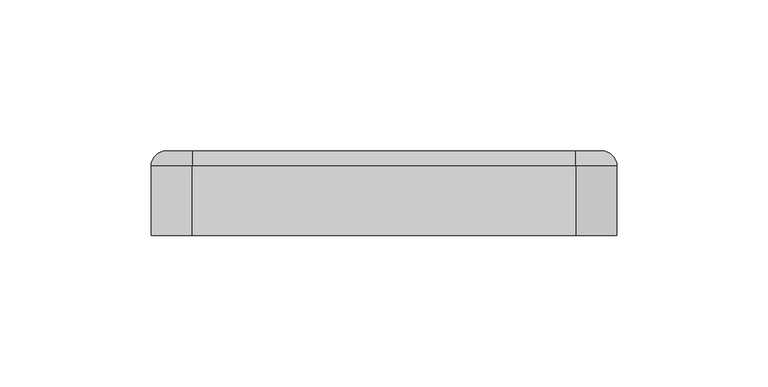
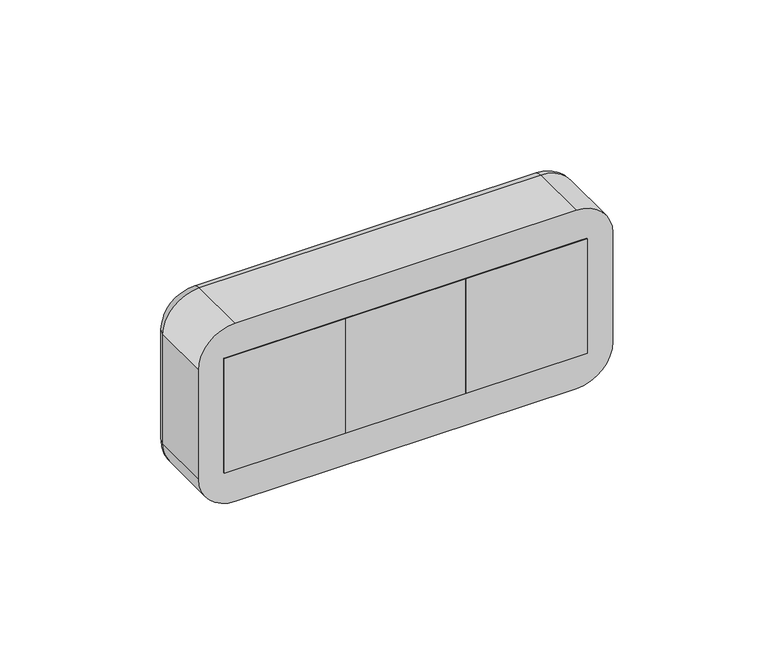
"""IFC4 building model written with IfcOpenShell, lengths in millimetres: proxy geometry."""

from ifc_helpers import new_model, si_unit, point, frame, origin, place, context, project, spatial, polyline, circle_curve, ellipse_curve, trimmed, outline, extrude, source, transform, mapped, element, save
from ifc_brep_helpers import plane_surface, cylinder_surface, revolved_surface, advanced_brep


def electrical_fixtures_9566df13(model_context):
    return source(origin(), model_context, "Body", "SolidModel", [
        advanced_brep(
        [(67.5, 28.0, 22.5), (67.5, 28.0, -22.5), (22.5, 28.0, -22.5), (22.5, 28.0, 22.5), (27.0, 28.0, 0.0), (63.0, 28.0, 0.0), (67.5, 20.0, 22.5), (22.5, 20.0, 22.5), (22.5, 20.0, -22.5), (67.5, 20.0, -22.5), (38.0, 20.0, 0.0), (33.0, 20.0, 0.0), (57.0, 20.0, 0.0), (52.0, 20.0, 0.0), (27.0, 21.0, 0.0), (63.0, 21.0, 0.0), (33.0, 21.0, 0.0), (38.0, 21.0, 0.0), (52.0, 21.0, 0.0), (57.0, 21.0, 0.0)],
        [
            (0, 1),
            (1, 2),
            (2, 3),
            (3, 0),
            (4, 5, circle_curve(frame((45.0, 28.0, 0.0), z_axis=(0.0, -1.0, 0.0), x_axis=(1.0, 0.0, 0.0)), 18.0)),
            (5, 4, circle_curve(frame((45.0, 28.0, 0.0), z_axis=(0.0, -1.0, 0.0), x_axis=(1.0, 0.0, 0.0)), 18.0)),
            (6, 7),
            (7, 8),
            (8, 9),
            (9, 6),
            (10, 11, circle_curve(frame((35.5, 20.0, 0.0), z_axis=(0.0, 1.0, 0.0), x_axis=(1.0, 0.0, 0.0)), 2.5)),
            (11, 10, circle_curve(frame((35.5, 20.0, 0.0), z_axis=(0.0, 1.0, 0.0), x_axis=(1.0, 0.0, 0.0)), 2.5)),
            (12, 13, circle_curve(frame((54.5, 20.0, 0.0), z_axis=(0.0, 1.0, 0.0), x_axis=(1.0, 0.0, 0.0)), 2.5)),
            (13, 12, circle_curve(frame((54.5, 20.0, 0.0), z_axis=(0.0, 1.0, 0.0), x_axis=(1.0, 0.0, 0.0)), 2.5)),
            (3, 7),
            (6, 0),
            (2, 8),
            (1, 9),
            (14, 15, circle_curve(frame((45.0, 21.0, 0.0), z_axis=(0.0, 1.0, 0.0), x_axis=(1.0, 0.0, 0.0)), 18.0)),
            (15, 14, circle_curve(frame((45.0, 21.0, 0.0), z_axis=(0.0, 1.0, 0.0), x_axis=(1.0, 0.0, 0.0)), 18.0)),
            (16, 17, circle_curve(frame((35.5, 21.0, 0.0), z_axis=(0.0, -1.0, 0.0), x_axis=(1.0, 0.0, 0.0)), 2.5)),
            (17, 16, circle_curve(frame((35.5, 21.0, 0.0), z_axis=(0.0, -1.0, 0.0), x_axis=(1.0, 0.0, 0.0)), 2.5)),
            (18, 19, circle_curve(frame((54.5, 21.0, 0.0), z_axis=(0.0, -1.0, 0.0), x_axis=(1.0, 0.0, 0.0)), 2.5)),
            (19, 18, circle_curve(frame((54.5, 21.0, 0.0), z_axis=(0.0, -1.0, 0.0), x_axis=(1.0, 0.0, 0.0)), 2.5)),
            (15, 5),
            (4, 14),
            (10, 17),
            (16, 11),
            (12, 19),
            (18, 13),
        ],
        [
            plane_surface(frame((6.0, 28.0, 22.5), z_axis=(0.0, 1.0, 0.0), x_axis=(1.0, 0.0, 0.0))),
            plane_surface(frame((6.0, 20.0, 22.5), z_axis=(0.0, -1.0, 0.0), x_axis=(-1.0, 0.0, 0.0))),
            plane_surface(frame((67.5, 20.0, 22.5), z_axis=(0.0, 0.0, 1.0), x_axis=(0.0, 1.0, 0.0))),
            plane_surface(frame((22.5, 20.0, 22.5), z_axis=(-1.0, 0.0, 0.0), x_axis=(0.0, 1.0, 0.0))),
            plane_surface(frame((22.5, 20.0, -22.5), z_axis=(0.0, 0.0, -1.0), x_axis=(0.0, 1.0, 0.0))),
            plane_surface(frame((67.5, 20.0, -22.5), z_axis=(1.0, 0.0, 0.0), x_axis=(0.0, 1.0, 0.0))),
            plane_surface(frame((63.0, 21.0, 0.0), z_axis=(0.0, 1.0, 0.0), x_axis=(0.0, 0.0, 1.0))),
            revolved_surface(polyline([(63.0, 21.0, 0.0), (63.0, 28.0, 0.0)]), (45.0, 28.0, 0.0), (0.0, -1.0, 0.0)),
            revolved_surface(polyline([(38.0, 20.0, 0.0), (38.0, 21.0, 0.0)]), (35.5, 21.0, 0.0), (0.0, -1.0, 0.0)),
            revolved_surface(polyline([(57.0, 20.0, 0.0), (57.0, 21.0, 0.0)]), (54.5, 20.0, 0.0), (0.0, -1.0, 0.0)),
        ],
        [
            (0, [[1, 2, 3, 4], [5, 6]]),
            (1, [[7, 8, 9, 10], [11, 12], [13, 14]]),
            (2, [[-4, 15, -7, 16]]),
            (3, [[-3, 17, -8, -15]]),
            (4, [[-2, 18, -9, -17]]),
            (5, [[-1, -16, -10, -18]]),
            (6, [[19, 20], [21, 22], [23, 24]]),
            (7, [[-20, 25, -5, 26]]),
            (7, [[-19, -26, -6, -25]]),
            (8, [[27, -21, 28, -11]]),
            (8, [[-27, -12, -28, -22]]),
            (9, [[29, -23, 30, -13]]),
            (9, [[-29, -14, -30, -24]]),
        ],
    ),
        extrude(outline(polyline([(67.5, 0.0), (22.5, 0.0), (22.5, 20.0), (67.5, 20.0), (67.5, 0.0)])), frame((0.0, 0.0, -22.5), z_axis=(0.0, 0.0, 1.0), x_axis=(1.0, 0.0, 0.0)), (0.0, 0.0, 1.0), 45.0),
        advanced_brep(
        [(-22.5, 28.0, 22.5), (-22.5, 28.0, -22.5), (-67.5, 28.0, -22.5), (-67.5, 28.0, 22.5), (-63.0, 28.0, 0.0), (-27.0, 28.0, 0.0), (-22.5, 20.0, 22.5), (-67.5, 20.0, 22.5), (-67.5, 20.0, -22.5), (-22.5, 20.0, -22.5), (-52.0, 20.0, 0.0), (-57.0, 20.0, 0.0), (-33.0, 20.0, 0.0), (-38.0, 20.0, 0.0), (-63.0, 21.0, 0.0), (-27.0, 21.0, 0.0), (-57.0, 21.0, 0.0), (-52.0, 21.0, 0.0), (-38.0, 21.0, 0.0), (-33.0, 21.0, 0.0)],
        [
            (0, 1),
            (1, 2),
            (2, 3),
            (3, 0),
            (4, 5, circle_curve(frame((-45.0, 28.0, 0.0), z_axis=(0.0, -1.0, 0.0), x_axis=(1.0, 0.0, 0.0)), 18.0)),
            (5, 4, circle_curve(frame((-45.0, 28.0, 0.0), z_axis=(0.0, -1.0, 0.0), x_axis=(1.0, 0.0, 0.0)), 18.0)),
            (6, 7),
            (7, 8),
            (8, 9),
            (9, 6),
            (10, 11, circle_curve(frame((-54.5, 20.0, 0.0), z_axis=(0.0, 1.0, 0.0), x_axis=(1.0, 0.0, 0.0)), 2.5)),
            (11, 10, circle_curve(frame((-54.5, 20.0, 0.0), z_axis=(0.0, 1.0, 0.0), x_axis=(1.0, 0.0, 0.0)), 2.5)),
            (12, 13, circle_curve(frame((-35.5, 20.0, 0.0), z_axis=(0.0, 1.0, 0.0), x_axis=(1.0, 0.0, 0.0)), 2.5)),
            (13, 12, circle_curve(frame((-35.5, 20.0, 0.0), z_axis=(0.0, 1.0, 0.0), x_axis=(1.0, 0.0, 0.0)), 2.5)),
            (3, 7),
            (6, 0),
            (2, 8),
            (1, 9),
            (14, 15, circle_curve(frame((-45.0, 21.0, 0.0), z_axis=(0.0, 1.0, 0.0), x_axis=(1.0, 0.0, 0.0)), 18.0)),
            (15, 14, circle_curve(frame((-45.0, 21.0, 0.0), z_axis=(0.0, 1.0, 0.0), x_axis=(1.0, 0.0, 0.0)), 18.0)),
            (16, 17, circle_curve(frame((-54.5, 21.0, 0.0), z_axis=(0.0, -1.0, 0.0), x_axis=(1.0, 0.0, 0.0)), 2.5)),
            (17, 16, circle_curve(frame((-54.5, 21.0, 0.0), z_axis=(0.0, -1.0, 0.0), x_axis=(1.0, 0.0, 0.0)), 2.5)),
            (18, 19, circle_curve(frame((-35.5, 21.0, 0.0), z_axis=(0.0, -1.0, 0.0), x_axis=(1.0, 0.0, 0.0)), 2.5)),
            (19, 18, circle_curve(frame((-35.5, 21.0, 0.0), z_axis=(0.0, -1.0, 0.0), x_axis=(1.0, 0.0, 0.0)), 2.5)),
            (15, 5),
            (4, 14),
            (10, 17),
            (16, 11),
            (12, 19),
            (18, 13),
        ],
        [
            plane_surface(frame((-84.0, 28.0, 22.5), z_axis=(0.0, 1.0, 0.0), x_axis=(1.0, 0.0, 0.0))),
            plane_surface(frame((-84.0, 20.0, 22.5), z_axis=(0.0, -1.0, 0.0), x_axis=(-1.0, 0.0, 0.0))),
            plane_surface(frame((-22.5, 20.0, 22.5), z_axis=(0.0, 0.0, 1.0), x_axis=(0.0, 1.0, 0.0))),
            plane_surface(frame((-67.5, 20.0, 22.5), z_axis=(-1.0, 0.0, 0.0), x_axis=(0.0, 1.0, 0.0))),
            plane_surface(frame((-67.5, 20.0, -22.5), z_axis=(0.0, 0.0, -1.0), x_axis=(0.0, 1.0, 0.0))),
            plane_surface(frame((-22.5, 20.0, -22.5), z_axis=(1.0, 0.0, 0.0), x_axis=(0.0, 1.0, 0.0))),
            plane_surface(frame((-27.0, 21.0, 0.0), z_axis=(0.0, 1.0, 0.0), x_axis=(0.0, 0.0, 1.0))),
            revolved_surface(polyline([(-27.0, 21.0, 0.0), (-27.0, 28.0, 0.0)]), (-45.0, 28.0, 0.0), (0.0, -1.0, 0.0)),
            revolved_surface(polyline([(-52.0, 20.0, 0.0), (-52.0, 21.0, 0.0)]), (-54.5, 21.0, 0.0), (0.0, -1.0, 0.0)),
            revolved_surface(polyline([(-33.0, 20.0, 0.0), (-33.0, 21.0, 0.0)]), (-35.5, 20.0, 0.0), (0.0, -1.0, 0.0)),
        ],
        [
            (0, [[1, 2, 3, 4], [5, 6]]),
            (1, [[7, 8, 9, 10], [11, 12], [13, 14]]),
            (2, [[-4, 15, -7, 16]]),
            (3, [[-3, 17, -8, -15]]),
            (4, [[-2, 18, -9, -17]]),
            (5, [[-1, -16, -10, -18]]),
            (6, [[19, 20], [21, 22], [23, 24]]),
            (7, [[-20, 25, -5, 26]]),
            (7, [[-19, -26, -6, -25]]),
            (8, [[27, -21, 28, -11]]),
            (8, [[-27, -12, -28, -22]]),
            (9, [[29, -23, 30, -13]]),
            (9, [[-29, -14, -30, -24]]),
        ],
    ),
        extrude(outline(polyline([(-22.5, 0.0), (-67.5, 0.0), (-67.5, 20.0), (-22.5, 20.0), (-22.5, 0.0)])), frame((0.0, 0.0, -22.5), z_axis=(0.0, 0.0, 1.0), x_axis=(1.0, 0.0, 0.0)), (0.0, 0.0, 1.0), 45.0),
        advanced_brep(
        [(22.5, 28.0, 22.5), (22.5, 28.0, -22.5), (-22.5, 28.0, -22.5), (-22.5, 28.0, 22.5), (-18.0, 28.0, 0.0), (18.0, 28.0, 0.0), (22.5, 20.0, 22.5), (-22.5, 20.0, 22.5), (-22.5, 20.0, -22.5), (22.5, 20.0, -22.5), (-7.0, 20.0, 0.0), (-12.0, 20.0, 0.0), (12.0, 20.0, 0.0), (7.0, 20.0, 0.0), (-18.0, 21.0, 0.0), (18.0, 21.0, 0.0), (-12.0, 21.0, 0.0), (-7.0, 21.0, 0.0), (7.0, 21.0, 0.0), (12.0, 21.0, 0.0)],
        [
            (0, 1),
            (1, 2),
            (2, 3),
            (3, 0),
            (4, 5, circle_curve(frame((0.0, 28.0, 0.0), z_axis=(0.0, -1.0, 0.0), x_axis=(1.0, 0.0, 0.0)), 18.0)),
            (5, 4, circle_curve(frame((0.0, 28.0, 0.0), z_axis=(0.0, -1.0, 0.0), x_axis=(1.0, 0.0, 0.0)), 18.0)),
            (6, 7),
            (7, 8),
            (8, 9),
            (9, 6),
            (10, 11, circle_curve(frame((-9.5, 20.0, 0.0), z_axis=(0.0, 1.0, 0.0), x_axis=(1.0, 0.0, 0.0)), 2.5)),
            (11, 10, circle_curve(frame((-9.5, 20.0, 0.0), z_axis=(0.0, 1.0, 0.0), x_axis=(1.0, 0.0, 0.0)), 2.5)),
            (12, 13, circle_curve(frame((9.5, 20.0, 0.0), z_axis=(0.0, 1.0, 0.0), x_axis=(1.0, 0.0, 0.0)), 2.5)),
            (13, 12, circle_curve(frame((9.5, 20.0, 0.0), z_axis=(0.0, 1.0, 0.0), x_axis=(1.0, 0.0, 0.0)), 2.5)),
            (3, 7),
            (6, 0),
            (2, 8),
            (1, 9),
            (14, 15, circle_curve(frame((0.0, 21.0, 0.0), z_axis=(0.0, 1.0, 0.0), x_axis=(1.0, 0.0, 0.0)), 18.0)),
            (15, 14, circle_curve(frame((0.0, 21.0, 0.0), z_axis=(0.0, 1.0, 0.0), x_axis=(1.0, 0.0, 0.0)), 18.0)),
            (16, 17, circle_curve(frame((-9.5, 21.0, 0.0), z_axis=(0.0, -1.0, 0.0), x_axis=(1.0, 0.0, 0.0)), 2.5)),
            (17, 16, circle_curve(frame((-9.5, 21.0, 0.0), z_axis=(0.0, -1.0, 0.0), x_axis=(1.0, 0.0, 0.0)), 2.5)),
            (18, 19, circle_curve(frame((9.5, 21.0, 0.0), z_axis=(0.0, -1.0, 0.0), x_axis=(1.0, 0.0, 0.0)), 2.5)),
            (19, 18, circle_curve(frame((9.5, 21.0, 0.0), z_axis=(0.0, -1.0, 0.0), x_axis=(1.0, 0.0, 0.0)), 2.5)),
            (15, 5),
            (4, 14),
            (10, 17),
            (16, 11),
            (12, 19),
            (18, 13),
        ],
        [
            plane_surface(frame((-39.0, 28.0, 22.5), z_axis=(0.0, 1.0, 0.0), x_axis=(1.0, 0.0, 0.0))),
            plane_surface(frame((-39.0, 20.0, 22.5), z_axis=(0.0, -1.0, 0.0), x_axis=(-1.0, 0.0, 0.0))),
            plane_surface(frame((22.5, 20.0, 22.5), z_axis=(0.0, 0.0, 1.0), x_axis=(0.0, 1.0, 0.0))),
            plane_surface(frame((-22.5, 20.0, 22.5), z_axis=(-1.0, 0.0, 0.0), x_axis=(0.0, 1.0, 0.0))),
            plane_surface(frame((-22.5, 20.0, -22.5), z_axis=(0.0, 0.0, -1.0), x_axis=(0.0, 1.0, 0.0))),
            plane_surface(frame((22.5, 20.0, -22.5), z_axis=(1.0, 0.0, 0.0), x_axis=(0.0, 1.0, 0.0))),
            plane_surface(frame((18.0, 21.0, 0.0), z_axis=(0.0, 1.0, 0.0), x_axis=(0.0, 0.0, 1.0))),
            revolved_surface(polyline([(18.0, 21.0, 0.0), (18.0, 28.0, 0.0)]), (0.0, 28.0, 0.0), (0.0, -1.0, 0.0)),
            revolved_surface(polyline([(-7.0, 20.0, 0.0), (-7.0, 21.0, 0.0)]), (-9.5, 21.0, 0.0), (0.0, -1.0, 0.0)),
            revolved_surface(polyline([(12.0, 20.0, 0.0), (12.0, 21.0, 0.0)]), (9.5, 20.0, 0.0), (0.0, -1.0, 0.0)),
        ],
        [
            (0, [[1, 2, 3, 4], [5, 6]]),
            (1, [[7, 8, 9, 10], [11, 12], [13, 14]]),
            (2, [[-4, 15, -7, 16]]),
            (3, [[-3, 17, -8, -15]]),
            (4, [[-2, 18, -9, -17]]),
            (5, [[-1, -16, -10, -18]]),
            (6, [[19, 20], [21, 22], [23, 24]]),
            (7, [[-20, 25, -5, 26]]),
            (7, [[-19, -26, -6, -25]]),
            (8, [[27, -21, 28, -11]]),
            (8, [[-27, -12, -28, -22]]),
            (9, [[29, -23, 30, -13]]),
            (9, [[-29, -14, -30, -24]]),
        ],
    ),
        extrude(outline(polyline([(22.5, 0.0), (-22.5, 0.0), (-22.5, 20.0), (22.5, 20.0), (22.5, 0.0)])), frame((0.0, 0.0, -22.5), z_axis=(0.0, 0.0, 1.0), x_axis=(1.0, 0.0, 0.0)), (0.0, 0.0, 1.0), 45.0),
        advanced_brep(
        [(63.4328665, 28.0, 30.0), (72.0, 28.0, 21.4328665), (72.0, 28.0, -21.4328665), (63.4328665, 28.0, -30.0), (-63.4328665, 28.0, -30.0), (-72.0, 28.0, -21.4328665), (-72.0, 28.0, 21.4328665), (-63.4328665, 28.0, 30.0), (67.5, 28.0, 22.5), (-67.5, 28.0, 22.5), (-67.5, 28.0, -22.5), (67.5, 28.0, -22.5), (-63.4328665, 0.0, 35.0), (-77.0, 0.0, 21.4328665), (-77.0, 0.0, -21.4328665), (-63.4328665, 0.0, -35.0), (63.4328665, 0.0, -35.0), (77.0, 0.0, -21.4328665), (77.0, 0.0, 21.4328665), (63.4328665, 0.0, 35.0), (67.5, 2.0, -22.5), (67.5, 2.0, 22.5), (-67.5, 2.0, -22.5), (-67.5, 2.0, 22.5), (-77.0, 23.0, 21.4328665), (-77.0, 23.0, -21.4328665), (-63.4328665, 23.0, -35.0), (63.4328665, 23.0, -35.0), (77.0, 23.0, -21.4328665), (77.0, 23.0, 21.4328665), (63.4328665, 23.0000072, 35.0), (-63.4328665, 23.0, 35.0)],
        [
            (0, 1, circle_curve(frame((63.4328665, 28.0, 21.4328665), z_axis=(0.0, 1.0, 0.0), x_axis=(0.0, 0.0, 1.0)), 8.5671335)),
            (1, 2),
            (2, 3, circle_curve(frame((63.4328665, 28.0, -21.4328665), z_axis=(0.0, 1.0, 0.0), x_axis=(1.0, 0.0, 0.0)), 8.5671335)),
            (3, 4),
            (4, 5, circle_curve(frame((-63.4328665, 28.0, -21.4328665), z_axis=(0.0, 1.0, 0.0), x_axis=(0.0, 0.0, -1.0)), 8.5671335)),
            (5, 6),
            (6, 7, circle_curve(frame((-63.4328665, 28.0, 21.4328665), z_axis=(0.0, 1.0, 0.0), x_axis=(-1.0, 0.0, 0.0)), 8.5671335)),
            (7, 0),
            (8, 9),
            (9, 10),
            (10, 11),
            (11, 8),
            (12, 13, circle_curve(frame((-63.4328665, 0.0, 21.4328665), z_axis=(0.0, -1.0, 0.0), x_axis=(1.0, 0.0, 0.0)), 13.5671335)),
            (13, 14),
            (14, 15, circle_curve(frame((-63.4328665, 0.0, -21.4328665), z_axis=(0.0, -1.0, 0.0), x_axis=(1.0, 0.0, 0.0)), 13.5671335)),
            (15, 16),
            (16, 17, circle_curve(frame((63.4328665, 0.0, -21.4328665), z_axis=(0.0, -1.0, 0.0), x_axis=(1.0, 0.0, 0.0)), 13.5671335)),
            (17, 18),
            (18, 19, circle_curve(frame((63.4328665, 0.0, 21.4328665), z_axis=(0.0, -1.0, 0.0), x_axis=(1.0, 0.0, 0.0)), 13.5671335)),
            (19, 12),
            (11, 20),
            (20, 21),
            (21, 8),
            (10, 22),
            (22, 20),
            (9, 23),
            (23, 22),
            (21, 23),
            (13, 24),
            (24, 25),
            (25, 14),
            (15, 26),
            (26, 27),
            (27, 16),
            (17, 28),
            (28, 29),
            (29, 18),
            (19, 30),
            (30, 31),
            (31, 12),
            (31, 24, circle_curve(frame((-63.4328665, 23.0, 21.4328665), z_axis=(0.0, -1.0, 0.0), x_axis=(1.0, 0.0, 0.0)), 13.5671335)),
            (25, 26, circle_curve(frame((-63.4328665, 23.0, -21.4328665), z_axis=(0.0, -1.0, 0.0), x_axis=(1.0, 0.0, 0.0)), 13.5671335)),
            (27, 28, circle_curve(frame((63.4328665, 23.0, -21.4328665), z_axis=(0.0, -1.0, 0.0), x_axis=(1.0, 0.0, 0.0)), 13.5671335)),
            (29, 30, circle_curve(frame((63.4328665, 23.0, 21.4328665), z_axis=(0.0, -1.0, 0.0), x_axis=(1.0, 0.0, 0.0)), 13.5671335)),
            (29, 1, circle_curve(frame((72.0, 23.0, 21.4328665), z_axis=(0.0, 0.0, 1.0), x_axis=(0.0, 1.0, 0.0)), 5.0)),
            (0, 30, circle_curve(frame((63.4328665, 23.0, 30.0), z_axis=(1.0, 0.0, 0.0), x_axis=(0.0, 1.0, 0.0)), 5.0)),
            (28, 2, circle_curve(frame((72.0, 23.0, -21.4328665), z_axis=(0.0, 0.0, 1.0), x_axis=(0.0, 1.0, 0.0)), 5.0)),
            (27, 3, circle_curve(frame((63.4328665, 23.0, -30.0), z_axis=(1.0, 0.0, 0.0), x_axis=(0.0, 1.0, 0.0)), 5.0)),
            (26, 4, circle_curve(frame((-63.4328665, 23.0, -30.0), z_axis=(1.0, 0.0, 0.0), x_axis=(0.0, 1.0, 0.0)), 5.0)),
            (25, 5, circle_curve(frame((-72.0, 23.0, -21.4328665), z_axis=(0.0, 0.0, -1.0), x_axis=(0.0, 1.0, 0.0)), 5.0)),
            (24, 6, circle_curve(frame((-72.0, 23.0, 21.4328665), z_axis=(0.0, 0.0, -1.0), x_axis=(0.0, 1.0, 0.0)), 5.0)),
            (31, 7, circle_curve(frame((-63.4328665, 23.0, 30.0), z_axis=(-1.0, 0.0, 0.0), x_axis=(0.0, 1.0, 0.0)), 5.0)),
        ],
        [
            plane_surface(frame((67.5, 28.0, 6.9412233), z_axis=(0.0, 1.0, 0.0), x_axis=(0.0, 0.0, 1.0))),
            plane_surface(frame((67.5, 0.0, 6.9412233), z_axis=(0.0, -1.0, 0.0), x_axis=(0.0, 0.0, -1.0))),
            plane_surface(frame((67.5, 0.0, 22.5), z_axis=(-1.0, 0.0, 0.0), x_axis=(0.0, 1.0, 0.0))),
            plane_surface(frame((67.5, 0.0, -22.5), z_axis=(0.0, 0.0, 1.0), x_axis=(0.0, 1.0, 0.0))),
            plane_surface(frame((-67.5, 0.0, -22.5), z_axis=(1.0, 0.0, 0.0), x_axis=(0.0, 1.0, 0.0))),
            plane_surface(frame((-67.5, 0.0, 22.5), z_axis=(0.0, 0.0, -1.0), x_axis=(0.0, 1.0, 0.0))),
            plane_surface(frame((-77.0, 0.0, 21.4328665), z_axis=(-1.0, 0.0, 0.0), x_axis=(0.0, 1.0, 0.0))),
            plane_surface(frame((-63.4328665, 0.0, -35.0), z_axis=(0.0, 0.0, -1.0), x_axis=(0.0, 1.0, 0.0))),
            plane_surface(frame((77.0, 0.0, -21.4328665), z_axis=(1.0, 0.0, 0.0), x_axis=(0.0, 1.0, 0.0))),
            plane_surface(frame((63.4328665, 0.0, 35.0), z_axis=(0.0, 0.0, 1.0), x_axis=(0.0, 1.0, 0.0))),
            cylinder_surface(frame((-63.4328665, 0.0, 21.4328665), z_axis=(0.0, -1.0, 0.0), x_axis=(1.0, 0.0, 0.0)), 13.5671335),
            cylinder_surface(frame((-63.4328665, 0.0, -21.4328665), z_axis=(0.0, -1.0, 0.0), x_axis=(1.0, 0.0, 0.0)), 13.5671335),
            cylinder_surface(frame((63.4328665, 0.0, -21.4328665), z_axis=(0.0, -1.0, 0.0), x_axis=(1.0, 0.0, 0.0)), 13.5671335),
            cylinder_surface(frame((63.4328665, 0.0, 21.4328665), z_axis=(0.0, -1.0, 0.0), x_axis=(1.0, 0.0, 0.0)), 13.5671335),
            plane_surface(frame((-67.5, 2.0, 31.0), z_axis=(0.0, 1.0, 0.0), x_axis=(0.0, 0.0, 1.0))),
            revolved_surface(trimmed(ellipse_curve(frame((63.4328665, 23.0, 30.0), z_axis=(-1.0, 0.0, 0.0), x_axis=(0.0, 1.0, 0.0)), 5.0, 5.0), [point((63.4328665, 23.0, 35.0))], [point((63.4328665, 28.0, 30.0))], True, "CARTESIAN"), (63.4328665, 28.0, 21.4328665), (0.0, 1.0, 0.0)),
            cylinder_surface(frame((72.0, 23.0, 21.4328665), z_axis=(0.0, 0.0, -1.0), x_axis=(0.0, 1.0, 0.0)), 5.0),
            revolved_surface(trimmed(ellipse_curve(frame((72.0, 23.0, -21.4328665), z_axis=(0.0, 0.0, 1.0), x_axis=(0.0, 1.0, 0.0)), 5.0, 5.0), [point((77.0, 23.0, -21.4328665))], [point((72.0, 28.0, -21.4328665))], True, "CARTESIAN"), (63.4328665, 28.0, -21.4328665), (0.0, 1.0, 0.0)),
            cylinder_surface(frame((63.4328665, 23.0, -30.0), z_axis=(-1.0, 0.0, 0.0), x_axis=(0.0, 1.0, 0.0)), 5.0),
            revolved_surface(trimmed(ellipse_curve(frame((-63.4328665, 23.0, -30.0), z_axis=(1.0, 0.0, 0.0), x_axis=(0.0, 1.0, 0.0)), 5.0, 5.0), [point((-63.4328665, 23.0, -35.0))], [point((-63.4328665, 28.0, -30.0))], True, "CARTESIAN"), (-63.4328665, 28.0, -21.4328665), (0.0, 1.0, 0.0)),
            cylinder_surface(frame((-72.0, 23.0, -21.4328665), z_axis=(0.0, 0.0, 1.0), x_axis=(0.0, 1.0, 0.0)), 5.0),
            revolved_surface(trimmed(ellipse_curve(frame((-72.0, 23.0, 21.4328665), z_axis=(0.0, 0.0, -1.0), x_axis=(0.0, 1.0, 0.0)), 5.0, 5.0), [point((-77.0, 23.0, 21.4328665))], [point((-72.0, 28.0, 21.4328665))], True, "CARTESIAN"), (-63.4328665, 28.0, 21.4328665), (0.0, 1.0, 0.0)),
            cylinder_surface(frame((-63.4328665, 23.0, 30.0), z_axis=(1.0, 0.0, 0.0), x_axis=(0.0, 1.0, 0.0)), 5.0),
        ],
        [
            (0, [[1, 2, 3, 4, 5, 6, 7, 8], [9, 10, 11, 12]]),
            (1, [[13, 14, 15, 16, 17, 18, 19, 20]]),
            (2, [[-12, 21, 22, 23]]),
            (3, [[-11, 24, 25, -21]]),
            (4, [[-10, 26, 27, -24]]),
            (5, [[-9, -23, 28, -26]]),
            (6, [[-14, 29, 30, 31]]),
            (7, [[-16, 32, 33, 34]]),
            (8, [[-18, 35, 36, 37]]),
            (9, [[-20, 38, 39, 40]]),
            (10, [[-13, -40, 41, -29]]),
            (11, [[-15, -31, 42, -32]]),
            (12, [[-17, -34, 43, -35]]),
            (13, [[-19, -37, 44, -38]]),
            (14, [[-22, -25, -27, -28]]),
            (15, [[45, -1, 46, -44]]),
            (16, [[-45, -36, 47, -2]]),
            (17, [[-47, -43, 48, -3]]),
            (18, [[-48, -33, 49, -4]]),
            (19, [[-49, -42, 50, -5]]),
            (20, [[-50, -30, 51, -6]]),
            (21, [[-51, -41, 52, -7]]),
            (22, [[-46, -8, -52, -39]]),
        ],
    ),
    ])


if __name__ == "__main__":
    model = new_model("IFC4")
    model_context = context("Model", 3, world=origin())
    ifc_project = project(units=[si_unit("LENGTHUNIT", "METRE", prefix="MILLI")], contexts=[model_context])
    site = spatial("IfcSite", under=ifc_project)
    building = spatial("IfcBuilding", under=site)
    placement = place(None, origin())
    electrical_fixtures_shape = electrical_fixtures_9566df13(model_context)
    element("IfcBuildingElementProxy", 1, Name="Electrical Fixtures", at=placement, inside=building, context=model_context, shape_type="MappedRepresentation", body=[
        mapped(electrical_fixtures_shape, transform((0.0, 0.0, 0.0), x_axis=(1.0, 0.0, 0.0), y_axis=(0.0, 1.0, 0.0), z_axis=(0.0, 0.0, 1.0))),
    ])
    save(model, "model.ifc")
